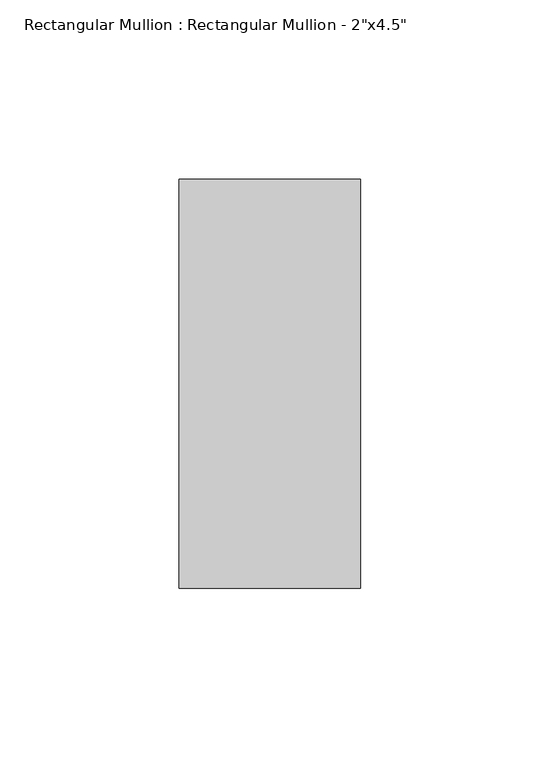
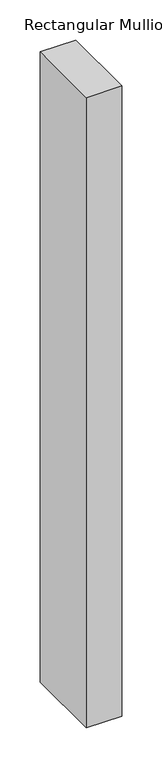
"""IFC4 building model written with IfcOpenShell, lengths in millimetres: member geometry."""

from ifc_helpers import new_model, si_unit, frame, origin, place, context, project, spatial, polyline, outline, extrude, source, transform, mapped, element, save


def member_7e2e0063(model_context):
    return source(origin(), model_context, "Body", "SweptSolid", [
        extrude(outline(polyline([(0.0, 57.15), (0.0, -57.15), (-50.8, -57.15), (-50.8, 57.15), (0.0, 57.15)])), frame((0.0, 0.0, -956.4076923), z_axis=(0.0, 0.0, 1.0), x_axis=(1.0, 0.0, 0.0)), (0.0, 0.0, 1.0), 956.4076923),
    ])


if __name__ == "__main__":
    model = new_model("IFC4")
    model_context = context("Model", 3, world=origin())
    ifc_project = project(units=[si_unit("LENGTHUNIT", "METRE", prefix="MILLI")], contexts=[model_context])
    site = spatial("IfcSite", under=ifc_project)
    building = spatial("IfcBuilding", under=site)
    placement = place(None, origin())
    member_shape = member_7e2e0063(model_context)
    element("IfcMember", 1, ObjectType="Rectangular Mullion : Rectangular Mullion - 2\"x4.5\"", at=placement, inside=building, context=model_context, shape_type="MappedRepresentation", body=[
        mapped(member_shape, transform((0.0, 0.0, 0.0), x_axis=(1.0, 0.0, 0.0), y_axis=(0.0, 1.0, 0.0), z_axis=(0.0, 0.0, 1.0))),
    ])
    save(model, "model.ifc")
